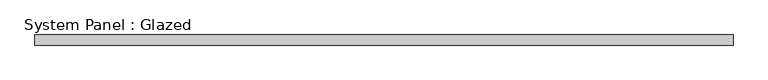
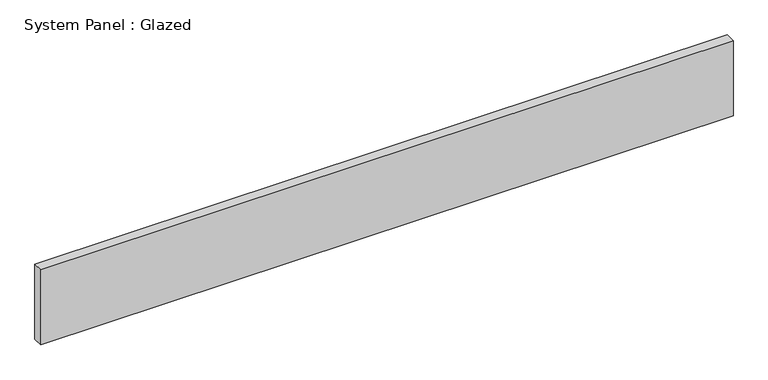
"""IFC4 building model written with IfcOpenShell, lengths in millimetres: plate geometry, System Panel : Glazed."""

from ifc_helpers import new_model, si_unit, origin, origin_with_axes, place, context, project, spatial, polyline, outline, extrude, source, transform, mapped, element, save


def system_panel_glazed_4ca13d2a(model_context):
    return source(origin(), model_context, "Body", "SweptSolid", [
        extrude(outline(polyline([(862.0, 24.5), (-862.0, 24.5), (-862.0, 49.5), (862.0, 49.5), (862.0, 24.5)])), origin_with_axes(), (0.0, 0.0, 1.0), 197.1692572),
    ])


if __name__ == "__main__":
    model = new_model("IFC4")
    model_context = context("Model", 3, world=origin())
    ifc_project = project(units=[si_unit("LENGTHUNIT", "METRE", prefix="MILLI")], contexts=[model_context])
    site = spatial("IfcSite", under=ifc_project)
    building = spatial("IfcBuilding", under=site)
    placement = place(None, origin())
    system_panel_glazed_shape = system_panel_glazed_4ca13d2a(model_context)
    element("IfcPlate", 1, ObjectType="System Panel : Glazed", at=placement, inside=building, context=model_context, shape_type="MappedRepresentation", body=[
        mapped(system_panel_glazed_shape, transform((0.0, 0.0, 0.0), x_axis=(1.0, 0.0, 0.0), y_axis=(0.0, 1.0, 0.0), z_axis=(0.0, 0.0, 1.0))),
    ])
    save(model, "model.ifc")
